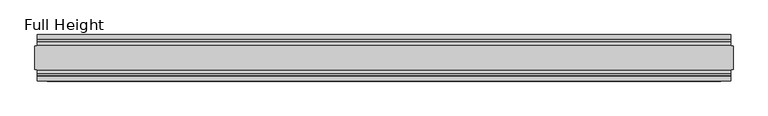
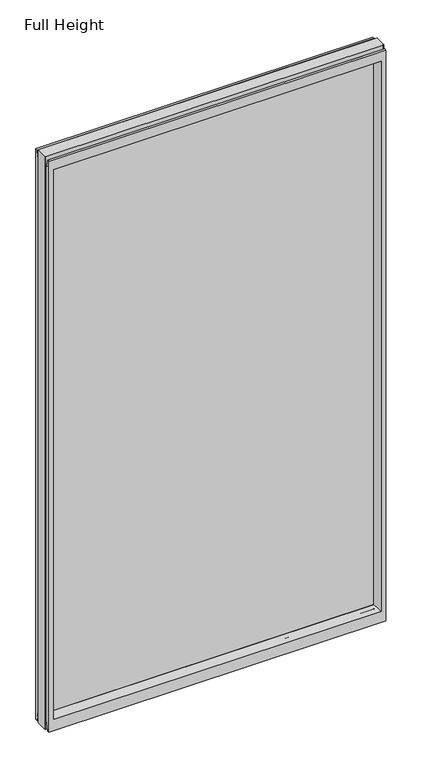
"""IFC4 building model written with IfcOpenShell, lengths in millimetres: plate geometry, Full Height."""

from ifc_helpers import new_model, si_unit, frame, origin, place, context, project, spatial, polyline, circle_curve, outline, extrude, source, transform, mapped, element, save
from ifc_brep_helpers import plane_surface, cylinder_surface, revolved_surface, advanced_brep


def full_height_60c17e2d(model_context):
    return source(origin(), model_context, "Body", "SolidModel", [
        advanced_brep(
        [(752.4746165, 25.146, 2688.336), (747.9026165, 25.146, 2688.336), (747.9026165, 26.67, 2688.336), (-747.9026165, 26.67, 2688.336), (-747.9026165, 25.146, 2688.336), (-752.4746165, 25.146, 2688.336), (-752.4746165, -25.146, 2688.336), (-747.9026165, -25.146, 2688.336), (-747.9026165, -26.67, 2688.336), (747.9026165, -26.67, 2688.336), (747.9026165, -25.146, 2688.336), (752.4746165, -25.146, 2688.336), (752.4746165, 25.146, 0.0), (752.4746165, -25.146, 0.0), (747.9026165, -25.146, 0.0), (747.9026165, -26.67, 0.0), (-747.9026165, -26.67, 0.0), (-747.9026165, -25.146, 0.0), (-752.4746165, -25.146, 0.0), (-752.4746165, 25.146, 0.0), (-747.9026165, 25.146, 0.0), (-747.9026165, 26.67, 0.0), (747.9026165, 26.67, 0.0), (747.9026165, 25.146, 0.0), (-747.9026165, 40.7946686, 0.0), (-747.9026165, 50.0, 0.0), (747.9026165, 50.0, 0.0), (747.9026165, 40.7946686, 0.0), (-747.9026165, 26.67, 36.4542208), (747.9026165, 26.67, 36.4542208), (-747.9026165, -26.67, 36.4542208), (-747.9026165, -34.2686707, 36.8568054), (-747.9026165, -36.9464913, 11.6561909), (-747.9026165, -39.043018, 8.6755976), (-747.9026165, -39.5246686, 7.9074686), (-747.9026165, -39.5246686, 1.27), (-747.9026165, -40.7946686, 0.0), (-747.9026165, -50.0, 0.0), (-747.9026165, -50.0, 2679.192), (-747.9026165, -39.9371387, 2679.192), (-747.9026165, -39.1867152, 2678.5623199), (-747.9026165, -34.2321175, 2650.4634004), (-747.9026165, -26.67, 2651.125), (-747.9026165, 39.5246686, 1.27), (-747.9026165, 39.5246686, 7.9074686), (-747.9026165, 39.043018, 8.6755976), (-747.9026165, 36.9464913, 11.6561909), (-747.9026165, 34.2686707, 36.8568054), (-747.9026165, 26.67, 2651.125), (-747.9026165, 34.2321175, 2650.4634004), (-747.9026165, 39.1867152, 2678.5623199), (-747.9026165, 39.9371387, 2679.192), (-747.9026165, 50.0, 2679.192), (747.9026165, -50.0, 0.0), (747.9026165, -50.0, 2679.192), (-725.8046165, -50.0, 2634.615), (725.8046165, -50.0, 2634.615), (725.8046165, -50.0, 52.8372208), (-725.8046165, -50.0, 52.8372208), (747.9026165, 50.0, 2679.192), (-725.8046165, 50.0, 52.8372208), (725.8046165, 50.0, 52.8372208), (725.8046165, 50.0, 2634.615), (-725.8046165, 50.0, 2634.615), (-719.8356165, -6.1006519, 58.8062208), (-719.8356165, -6.1006519, 2628.646), (-719.8356165, 6.1006519, 2628.646), (-719.8356165, 6.1006519, 58.8062208), (719.8356165, 6.1006519, 58.8062208), (719.8356165, 6.1006519, 2628.646), (719.8356165, -6.1006519, 2628.646), (719.8356165, -6.1006519, 58.8062208), (747.9026165, -40.7946686, 0.0), (747.9026165, -39.5246686, 1.27), (747.9026165, -39.5246686, 7.9074686), (747.9026165, -39.043018, 8.6755976), (747.9026165, -36.9464913, 11.6561909), (747.9026165, -34.2686707, 36.8568054), (747.9026165, -26.67, 36.4542208), (747.9026165, -26.67, 2651.125), (747.9026165, -34.2321175, 2650.4634004), (747.9026165, -39.1867152, 2678.5623199), (747.9026165, -39.9371387, 2679.192), (747.9026165, 39.9371387, 2679.192), (747.9026165, 39.1867152, 2678.5623199), (747.9026165, 34.2321175, 2650.4634004), (747.9026165, 26.67, 2651.125), (747.9026165, 34.2686707, 36.8568054), (747.9026165, 36.9464913, 11.6561909), (747.9026165, 39.043018, 8.6755976), (747.9026165, 39.5246686, 7.9074686), (747.9026165, 39.5246686, 1.27)],
        [
            (0, 1),
            (1, 2),
            (2, 3),
            (3, 4),
            (4, 5),
            (5, 6),
            (6, 7),
            (7, 8),
            (8, 9),
            (9, 10),
            (10, 11),
            (11, 0),
            (12, 13),
            (13, 14),
            (14, 15),
            (15, 16),
            (16, 17),
            (17, 18),
            (18, 19),
            (19, 20),
            (20, 21),
            (21, 22),
            (22, 23),
            (23, 12),
            (23, 1),
            (0, 12),
            (10, 14),
            (13, 11),
            (5, 19),
            (18, 6),
            (17, 7),
            (4, 20),
            (24, 25),
            (25, 26),
            (26, 27),
            (27, 24),
            (21, 28),
            (28, 29),
            (29, 22),
            (16, 30),
            (30, 31, circle_curve(frame((-747.9026165, -30.48, 36.4542208), z_axis=(1.0, 0.0, 0.0), x_axis=(0.0, -1.0, 0.0)), 3.81)),
            (31, 32),
            (32, 33, circle_curve(frame((-747.9026165, -40.6770502, 12.0526006), z_axis=(-1.0, 0.0, 0.0), x_axis=(0.0, -1.0, 0.0)), 3.751561)),
            (33, 34, circle_curve(frame((-747.9026165, -38.671343, 7.9074686), z_axis=(1.0, 0.0, 0.0), x_axis=(0.0, -1.0, 0.0)), 0.8533256)),
            (34, 35),
            (35, 36, circle_curve(frame((-747.9026165, -40.7946686, 1.27), z_axis=(-1.0, 0.0, 0.0), x_axis=(0.0, -1.0, 0.0)), 1.27)),
            (36, 37),
            (37, 38),
            (38, 39),
            (39, 40, circle_curve(frame((-747.9026165, -39.9371387, 2678.43), z_axis=(-1.0, 0.0, 0.0), x_axis=(0.0, -1.0, 0.0)), 0.762)),
            (40, 41),
            (41, 42, circle_curve(frame((-747.9026165, -30.48, 2651.125), z_axis=(1.0, 0.0, 0.0), x_axis=(0.0, -1.0, 0.0)), 3.81)),
            (42, 8),
            (24, 43, circle_curve(frame((-747.9026165, 40.7946686, 1.27), z_axis=(-1.0, 0.0, 0.0), x_axis=(0.0, -1.0, 0.0)), 1.27)),
            (43, 44),
            (44, 45, circle_curve(frame((-747.9026165, 38.671343, 7.9074686), z_axis=(1.0, 0.0, 0.0), x_axis=(0.0, -1.0, 0.0)), 0.8533256)),
            (45, 46, circle_curve(frame((-747.9026165, 40.6770502, 12.0526006), z_axis=(-1.0, 0.0, 0.0), x_axis=(0.0, -1.0, 0.0)), 3.751561)),
            (46, 47),
            (47, 28, circle_curve(frame((-747.9026165, 30.48, 36.4542208), z_axis=(1.0, 0.0, 0.0), x_axis=(0.0, -1.0, 0.0)), 3.81)),
            (3, 48),
            (48, 49, circle_curve(frame((-747.9026165, 30.48, 2651.125), z_axis=(1.0, 0.0, 0.0), x_axis=(0.0, -1.0, 0.0)), 3.81)),
            (49, 50),
            (50, 51, circle_curve(frame((-747.9026165, 39.9371387, 2678.43), z_axis=(-1.0, 0.0, 0.0), x_axis=(0.0, -1.0, 0.0)), 0.762)),
            (51, 52),
            (52, 25),
            (37, 53),
            (53, 54),
            (54, 38),
            (55, 56),
            (56, 57),
            (57, 58),
            (58, 55),
            (52, 59),
            (59, 26),
            (60, 61),
            (61, 62),
            (62, 63),
            (63, 60),
            (58, 64),
            (64, 65),
            (65, 55),
            (63, 66),
            (66, 67),
            (67, 60),
            (61, 68),
            (68, 69),
            (69, 62),
            (70, 71),
            (71, 57),
            (56, 70),
            (53, 72),
            (72, 73, circle_curve(frame((747.9026165, -40.7946686, 1.27), z_axis=(1.0, 0.0, 0.0), x_axis=(0.0, -1.0, 0.0)), 1.27)),
            (73, 74),
            (74, 75, circle_curve(frame((747.9026165, -38.671343, 7.9074686), z_axis=(-1.0, 0.0, 0.0), x_axis=(0.0, -1.0, 0.0)), 0.8533256)),
            (75, 76, circle_curve(frame((747.9026165, -40.6770502, 12.0526006), z_axis=(1.0, 0.0, 0.0), x_axis=(0.0, -1.0, 0.0)), 3.751561)),
            (76, 77),
            (77, 78, circle_curve(frame((747.9026165, -30.48, 36.4542208), z_axis=(-1.0, 0.0, 0.0), x_axis=(0.0, -1.0, 0.0)), 3.81)),
            (78, 15),
            (9, 79),
            (79, 80, circle_curve(frame((747.9026165, -30.48, 2651.125), z_axis=(-1.0, 0.0, 0.0), x_axis=(0.0, -1.0, 0.0)), 3.81)),
            (80, 81),
            (81, 82, circle_curve(frame((747.9026165, -39.9371387, 2678.43), z_axis=(1.0, 0.0, 0.0), x_axis=(0.0, -1.0, 0.0)), 0.762)),
            (82, 54),
            (59, 83),
            (83, 84, circle_curve(frame((747.9026165, 39.9371387, 2678.43), z_axis=(1.0, 0.0, 0.0), x_axis=(0.0, -1.0, 0.0)), 0.762)),
            (84, 85),
            (85, 86, circle_curve(frame((747.9026165, 30.48, 2651.125), z_axis=(-1.0, 0.0, 0.0), x_axis=(0.0, -1.0, 0.0)), 3.81)),
            (86, 2),
            (29, 87, circle_curve(frame((747.9026165, 30.48, 36.4542208), z_axis=(-1.0, 0.0, 0.0), x_axis=(0.0, -1.0, 0.0)), 3.81)),
            (87, 88),
            (88, 89, circle_curve(frame((747.9026165, 40.6770502, 12.0526006), z_axis=(1.0, 0.0, 0.0), x_axis=(0.0, -1.0, 0.0)), 3.751561)),
            (89, 90, circle_curve(frame((747.9026165, 38.671343, 7.9074686), z_axis=(-1.0, 0.0, 0.0), x_axis=(0.0, -1.0, 0.0)), 0.8533256)),
            (90, 91),
            (91, 27, circle_curve(frame((747.9026165, 40.7946686, 1.27), z_axis=(1.0, 0.0, 0.0), x_axis=(0.0, -1.0, 0.0)), 1.27)),
            (91, 43),
            (90, 44),
            (89, 45),
            (88, 46),
            (87, 47),
            (78, 30),
            (31, 77),
            (76, 32),
            (75, 33),
            (74, 34),
            (73, 35),
            (72, 36),
            (71, 64),
            (67, 68),
            (86, 48),
            (85, 49),
            (84, 50),
            (83, 51),
            (69, 66),
            (65, 70),
            (82, 39),
            (81, 40),
            (80, 41),
            (79, 42),
            (65, 66),
            (69, 70),
            (71, 68),
            (67, 64),
        ],
        [
            plane_surface(frame((747.9026165, 25.146, 2688.336), z_axis=(0.0, 0.0, 1.0), x_axis=(-1.0, 0.0, 0.0))),
            plane_surface(frame((747.9026165, 25.146, 0.0), z_axis=(0.0, 0.0, -1.0), x_axis=(1.0, 0.0, 0.0))),
            plane_surface(frame((752.4746165, 25.146, 2688.336), z_axis=(0.0, 1.0, 0.0), x_axis=(0.0, 0.0, -1.0))),
            plane_surface(frame((747.9026165, -25.146, 2688.336), z_axis=(0.0, -1.0, 0.0), x_axis=(0.0, 0.0, -1.0))),
            plane_surface(frame((752.4746165, -25.146, 2688.336), z_axis=(1.0, 0.0, 0.0), x_axis=(0.0, 0.0, -1.0))),
            plane_surface(frame((-752.4746165, 25.146, 2688.336), z_axis=(-1.0, 0.0, 0.0), x_axis=(0.0, 0.0, -1.0))),
            plane_surface(frame((-752.4746165, -25.146, 2688.336), z_axis=(0.0, -1.0, 0.0), x_axis=(0.0, 0.0, -1.0))),
            plane_surface(frame((-747.9026165, 25.146, 2688.336), z_axis=(0.0, 1.0, 0.0), x_axis=(0.0, 0.0, -1.0))),
            plane_surface(frame((-747.9026165, 50.0, 0.0), z_axis=(0.0, 0.0, -1.0), x_axis=(1.0, 0.0, 0.0))),
            plane_surface(frame((-747.9026165, 26.67, 36.4542208), z_axis=(0.0, 1.0, 0.0), x_axis=(1.0, 0.0, 0.0))),
            plane_surface(frame((-747.9026165, 50.0, 2646.4006), z_axis=(-1.0, 0.0, 0.0), x_axis=(0.0, 0.0, -1.0))),
            plane_surface(frame((-747.9026165, -50.0, 2646.4006), z_axis=(0.0, -1.0, 0.0), x_axis=(0.0, 0.0, -1.0))),
            plane_surface(frame((-725.8046165, 50.0, 2646.4006), z_axis=(0.0, 1.0, 0.0), x_axis=(0.0, 0.0, -1.0))),
            plane_surface(frame((-725.8046165, -50.0, 2646.4006), z_axis=(0.9908822943533606, -0.13473039277393942, 0.0), x_axis=(0.0, 0.0, -1.0))),
            plane_surface(frame((-719.8356165, 6.1006519, 2646.4006), z_axis=(0.9908822943533612, 0.13473039277393595, 0.0), x_axis=(0.0, 0.0, -1.0))),
            plane_surface(frame((725.8046165, 50.0, 2646.4006), z_axis=(-0.9908822943533602, 0.1347303927739433, 0.0), x_axis=(0.0, 0.0, -1.0))),
            plane_surface(frame((719.8356165, -6.1006519, 2646.4006), z_axis=(-0.990882294353356, -0.13473039277397456, 0.0), x_axis=(0.0, 0.0, -1.0))),
            plane_surface(frame((747.9026165, -50.0, 2646.4006), z_axis=(1.0, 0.0, 0.0), x_axis=(0.0, 0.0, -1.0))),
            cylinder_surface(frame((747.9026165, 40.7946686, 1.27), z_axis=(-1.0, 0.0, 0.0), x_axis=(0.0, -1.0, 0.0)), 1.27),
            plane_surface(frame((-747.9026165, 39.5246686, 1.27), z_axis=(0.0, -1.0, 0.0), x_axis=(1.0, 0.0, 0.0))),
            revolved_surface(polyline([(747.9026165, 37.8180174, 7.9074686), (-747.9026165, 37.8180174, 7.9074686)]), (747.9026165, 38.671343, 7.9074686), (1.0, 0.0, 0.0)),
            cylinder_surface(frame((747.9026165, 40.6770502, 12.0526006), z_axis=(-1.0, 0.0, 0.0), x_axis=(0.0, -1.0, 0.0)), 3.751561),
            plane_surface(frame((-747.9026165, 36.9464913, 11.6561909), z_axis=(0.0, -0.9944017560866669, -0.10566526151840601), x_axis=(1.0, 0.0, 0.0))),
            plane_surface(frame((-747.9026165, -26.67, 0.0), z_axis=(0.0, -1.0, 0.0), x_axis=(1.0, 0.0, 0.0))),
            plane_surface(frame((-747.9026165, -34.2686707, 36.8568054), z_axis=(0.0, 0.9944017560866217, -0.10566526151883056), x_axis=(1.0, 0.0, 0.0))),
            cylinder_surface(frame((747.9026165, -40.6770502, 12.0526006), z_axis=(-1.0, 0.0, 0.0), x_axis=(0.0, -1.0, 0.0)), 3.751561),
            revolved_surface(polyline([(747.9026165, -39.5246686, 7.9074686), (-747.9026165, -39.5246686, 7.9074686)]), (747.9026165, -38.671343, 7.9074686), (1.0, 0.0, 0.0)),
            plane_surface(frame((-747.9026165, -39.5246686, 7.9074686), z_axis=(0.0, 1.0, 0.0), x_axis=(1.0, 0.0, 0.0))),
            cylinder_surface(frame((747.9026165, -40.7946686, 1.27), z_axis=(-1.0, 0.0, 0.0), x_axis=(0.0, -1.0, 0.0)), 1.27),
            plane_surface(frame((-747.9026165, -40.7946686, 0.0), z_axis=(0.0, 0.0, -1.0), x_axis=(1.0, 0.0, 0.0))),
            plane_surface(frame((-747.9026165, -50.0, 52.8372208), z_axis=(0.0, -0.13473039277394738, 0.9908822943533596), x_axis=(1.0, 0.0, 0.0))),
            plane_surface(frame((-747.9026165, 6.1006519, 58.8062208), z_axis=(0.0, 0.1347303927739993, 0.9908822943533525), x_axis=(1.0, 0.0, 0.0))),
            revolved_surface(polyline([(747.9026165, 26.67, 36.4542208), (-747.9026165, 26.67, 36.4542208)]), (747.9026165, 30.48, 36.4542208), (1.0, 0.0, 0.0)),
            revolved_surface(polyline([(747.9026165, -34.29, 36.4542208), (-747.9026165, -34.29, 36.4542208)]), (747.9026165, -30.48, 36.4542208), (1.0, 0.0, 0.0)),
            plane_surface(frame((-747.9026165, 26.67, 2688.336), z_axis=(0.0, 1.0, 0.0), x_axis=(1.0, 0.0, 0.0))),
            revolved_surface(polyline([(747.9026165000001, 26.67, 2651.125), (-747.9026165, 26.67, 2651.125)]), (-752.4746165, 30.48, 2651.125), (1.0, 0.0, 0.0)),
            plane_surface(frame((-747.9026165, 34.2321175, 2650.4634004), z_axis=(0.0, -0.9848077530113107, 0.17364817767201934), x_axis=(1.0, 0.0, 0.0))),
            cylinder_surface(frame((-752.4746165, 39.9371387, 2678.43), z_axis=(-1.0, 0.0, 0.0), x_axis=(0.0, -1.0, 0.0)), 0.762),
            plane_surface(frame((-747.9026165, 39.9371387, 2679.192), z_axis=(0.0, 0.0, 1.0), x_axis=(1.0, 0.0, 0.0))),
            plane_surface(frame((-747.9026165, 50.0, 2634.615), z_axis=(0.0, 0.13473039277344984, -0.9908822943534272), x_axis=(1.0, 0.0, 0.0))),
            plane_surface(frame((-747.9026165, -6.1006519, 2628.646), z_axis=(0.0, -0.1347303927724766, -0.9908822943535597), x_axis=(1.0, 0.0, 0.0))),
            plane_surface(frame((-747.9026165, -50.0, 2679.192), z_axis=(0.0, 0.0, 1.0), x_axis=(1.0, 0.0, 0.0))),
            cylinder_surface(frame((-752.4746165, -39.9371387, 2678.43), z_axis=(-1.0, 0.0, 0.0), x_axis=(0.0, -1.0, 0.0)), 0.762),
            plane_surface(frame((-747.9026165, -39.1867152, 2678.5623199), z_axis=(0.0, 0.9848077530103814, 0.17364817767729013), x_axis=(1.0, 0.0, 0.0))),
            revolved_surface(polyline([(747.9026165000001, -34.29, 2651.125), (-747.9026165, -34.29, 2651.125)]), (-752.4746165, -30.48, 2651.125), (1.0, 0.0, 0.0)),
            plane_surface(frame((-747.9026165, -26.67, 2651.125), z_axis=(0.0, -1.0, 0.0), x_axis=(1.0, 0.0, 0.0))),
            plane_surface(frame((-747.9026165, 6.1006519, 2628.646), z_axis=(0.0, 0.0, -1.0), x_axis=(1.0, 0.0, 0.0))),
            plane_surface(frame((-747.9026165, -6.1006519, 58.8062208), z_axis=(0.0, 0.0, 1.0), x_axis=(1.0, 0.0, 0.0))),
            plane_surface(frame((-719.8356165, -6.1006519, 2646.4006), z_axis=(1.0, 0.0, 0.0), x_axis=(0.0, 0.0, -1.0))),
            plane_surface(frame((719.8356165, 6.1006519, 2646.4006), z_axis=(-1.0, 0.0, 0.0), x_axis=(0.0, 0.0, -1.0))),
        ],
        [
            (0, [[1, 2, 3, 4, 5, 6, 7, 8, 9, 10, 11, 12]]),
            (1, [[13, 14, 15, 16, 17, 18, 19, 20, 21, 22, 23, 24]]),
            (2, [[25, -1, 26, -24]]),
            (3, [[-11, 27, -14, 28]]),
            (4, [[-12, -28, -13, -26]]),
            (5, [[-6, 29, -19, 30]]),
            (6, [[31, -7, -30, -18]]),
            (7, [[-5, 32, -20, -29]]),
            (8, [[33, 34, 35, 36]]),
            (9, [[37, 38, 39, -22]]),
            (10, [[-17, 40, 41, 42, 43, 44, 45, 46, 47, 48, 49, 50, 51, 52, 53, -8, -31]]),
            (10, [[-33, 54, 55, 56, 57, 58, 59, -37, -21, -32, -4, 60, 61, 62, 63, 64, 65]]),
            (11, [[-48, 66, 67, 68], [69, 70, 71, 72]]),
            (12, [[-65, 73, 74, -34], [75, 76, 77, 78]]),
            (13, [[-72, 79, 80, 81]]),
            (14, [[-78, 82, 83, 84]]),
            (15, [[-76, 85, 86, 87]]),
            (16, [[88, 89, -70, 90]]),
            (17, [[-67, 91, 92, 93, 94, 95, 96, 97, 98, -15, -27, -10, 99, 100, 101, 102, 103]]),
            (17, [[-74, 104, 105, 106, 107, 108, -2, -25, -23, -39, 109, 110, 111, 112, 113, 114, -35]]),
            (18, [[-54, -36, -114, 115]]),
            (19, [[-55, -115, -113, 116]]),
            (20, [[-56, -116, -112, 117]]),
            (21, [[-57, -117, -111, 118]]),
            (22, [[-58, -118, -110, 119]]),
            (23, [[-40, -16, -98, 120]]),
            (24, [[-42, 121, -96, 122]]),
            (25, [[-43, -122, -95, 123]]),
            (26, [[-44, -123, -94, 124]]),
            (27, [[-45, -124, -93, 125]]),
            (28, [[-46, -125, -92, 126]]),
            (29, [[-47, -126, -91, -66]]),
            (30, [[-71, -89, 127, -79]]),
            (31, [[-75, -84, 128, -85]]),
            (32, [[-59, -119, -109, -38]]),
            (33, [[-41, -120, -97, -121]]),
            (34, [[-60, -3, -108, 129]]),
            (35, [[-61, -129, -107, 130]]),
            (36, [[-62, -130, -106, 131]]),
            (37, [[-63, -131, -105, 132]]),
            (38, [[-64, -132, -104, -73]]),
            (39, [[-77, -87, 133, -82]]),
            (40, [[-69, -81, 134, -90]]),
            (41, [[-49, -68, -103, 135]]),
            (42, [[-50, -135, -102, 136]]),
            (43, [[-51, -136, -101, 137]]),
            (44, [[-52, -137, -100, 138]]),
            (45, [[-53, -138, -99, -9]]),
            (46, [[-134, 139, -133, 140]]),
            (47, [[-127, 141, -128, 142]]),
            (48, [[-83, -139, -80, -142]]),
            (49, [[-88, -140, -86, -141]]),
        ],
    ),
        extrude(outline(polyline([(-719.8356165, 4.826), (719.8356165, 4.826), (719.8356165, -4.826), (-719.8356165, -4.826), (-719.8356165, 4.826)])), frame((0.0, 0.0, 58.8062208), z_axis=(0.0, 0.0, 1.0), x_axis=(1.0, 0.0, 0.0)), (0.0, 0.0, 1.0), 2569.8397792),
    ])


if __name__ == "__main__":
    model = new_model("IFC4")
    model_context = context("Model", 3, world=origin())
    ifc_project = project(units=[si_unit("LENGTHUNIT", "METRE", prefix="MILLI")], contexts=[model_context])
    site = spatial("IfcSite", under=ifc_project)
    building = spatial("IfcBuilding", under=site)
    placement = place(None, origin())
    full_height_shape = full_height_60c17e2d(model_context)
    element("IfcPlate", 1, ObjectType="Full Height", at=placement, inside=building, context=model_context, shape_type="MappedRepresentation", body=[
        mapped(full_height_shape, transform((0.0, 0.0, 0.0), x_axis=(1.0, 0.0, 0.0), y_axis=(0.0, 1.0, 0.0), z_axis=(0.0, 0.0, 1.0))),
    ])
    save(model, "model.ifc")
